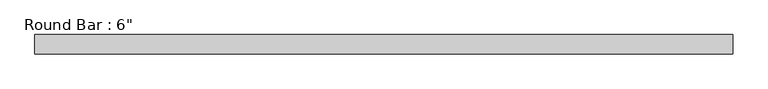
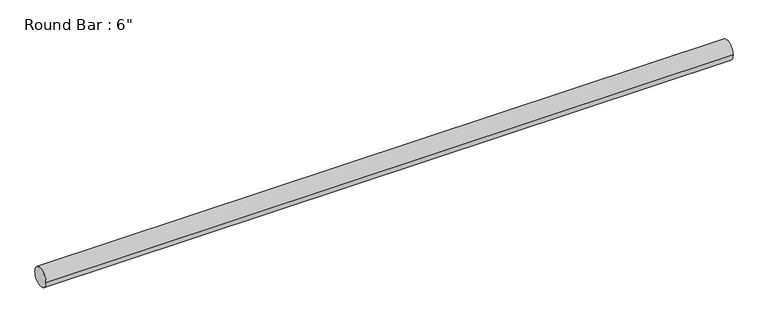
"""IFC4 building model written with IfcOpenShell, lengths in millimetres: beam geometry."""

from ifc_helpers import new_model, si_unit, point, frame, origin, origin_2d, place, context, project, spatial, circle_curve, trimmed, segment, composite_curve, outline, extrude, source, transform, mapped, element, save


def beam_25f7226a(model_context):
    return source(origin(), model_context, "Body", "SweptSolid", [
        extrude(outline(composite_curve([segment(trimmed(circle_curve(origin_2d(), 76.2), [point((76.2, 0.0))], [point((-76.2, 0.0))], False, "CARTESIAN"), True, "CONTINUOUS"), segment(trimmed(circle_curve(origin_2d(), 76.2), [point((-76.2, 0.0))], [point((76.2, 0.0))], False, "CARTESIAN"), True, "CONTINUOUS")], self_intersect=False)), frame((-2729.2568199, 0.0, 0.0), z_axis=(1.0, 0.0, 0.0), x_axis=(0.0, 1.0, 0.0)), (0.0, 0.0, 1.0), 5458.5136399),
    ])


if __name__ == "__main__":
    model = new_model("IFC4")
    model_context = context("Model", 3, world=origin())
    ifc_project = project(units=[si_unit("LENGTHUNIT", "METRE", prefix="MILLI")], contexts=[model_context])
    site = spatial("IfcSite", under=ifc_project)
    building = spatial("IfcBuilding", under=site)
    placement = place(None, origin())
    beam_shape = beam_25f7226a(model_context)
    element("IfcBeam", 1, ObjectType="Round Bar : 6\"", at=placement, inside=building, context=model_context, shape_type="MappedRepresentation", body=[
        mapped(beam_shape, transform((0.0, 0.0, 0.0), x_axis=(1.0, 0.0, 0.0), y_axis=(0.0, 1.0, 0.0), z_axis=(0.0, 0.0, 1.0))),
    ])
    save(model, "model.ifc")
